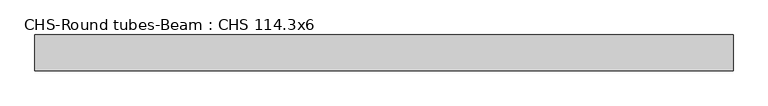
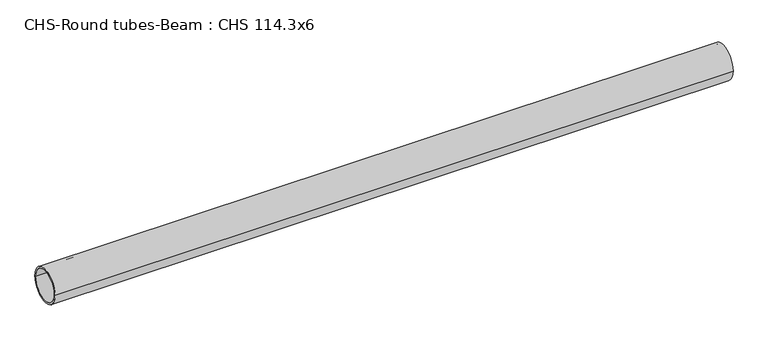
"""IFC4 building model written with IfcOpenShell, lengths in millimetres: beam geometry, CHS-Round tubes-Beam : CHS 114.3x6."""

from ifc_helpers import new_model, si_unit, point, frame, origin, origin_2d, place, context, project, spatial, circle_curve, trimmed, segment, composite_curve, outline, extrude, source, transform, mapped, element, save


def chs_round_tubes_beam_chs_114_3x6_8c51bbb4(model_context):
    return source(origin(), model_context, "Body", "SweptSolid", [
        extrude(outline(composite_curve([segment(trimmed(circle_curve(origin_2d(), 57.15), [point((57.15, 0.0))], [point((-57.15, 0.0))], False, "CARTESIAN"), True, "CONTINUOUS"), segment(trimmed(circle_curve(origin_2d(), 57.15), [point((-57.15, 0.0))], [point((57.15, 0.0))], False, "CARTESIAN"), True, "CONTINUOUS")], self_intersect=False), holes=[composite_curve([segment(trimmed(circle_curve(origin_2d(), 51.15), [point((51.15, 0.0))], [point((-51.15, 0.0))], True, "CARTESIAN"), True, "CONTINUOUS"), segment(trimmed(circle_curve(origin_2d(), 51.15), [point((-51.15, 0.0))], [point((51.15, 0.0))], True, "CARTESIAN"), True, "CONTINUOUS")], self_intersect=False)]), frame((-1116.2089516, 0.0, 0.0), z_axis=(1.0, 0.0, 0.0), x_axis=(0.0, 1.0, 0.0)), (0.0, 0.0, 1.0), 2230.9533019),
    ])


if __name__ == "__main__":
    model = new_model("IFC4")
    model_context = context("Model", 3, world=origin())
    ifc_project = project(units=[si_unit("LENGTHUNIT", "METRE", prefix="MILLI")], contexts=[model_context])
    site = spatial("IfcSite", under=ifc_project)
    building = spatial("IfcBuilding", under=site)
    placement = place(None, origin())
    chs_round_tubes_beam_chs_114_3x6_shape = chs_round_tubes_beam_chs_114_3x6_8c51bbb4(model_context)
    element("IfcBeam", 1, ObjectType="CHS-Round tubes-Beam : CHS 114.3x6", at=placement, inside=building, context=model_context, shape_type="MappedRepresentation", body=[
        mapped(chs_round_tubes_beam_chs_114_3x6_shape, transform((0.0, 0.0, 0.0), x_axis=(1.0, 0.0, 0.0), y_axis=(0.0, 1.0, 0.0), z_axis=(0.0, 0.0, 1.0))),
    ])
    save(model, "model.ifc")
